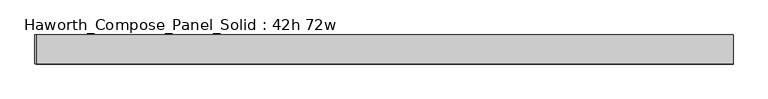
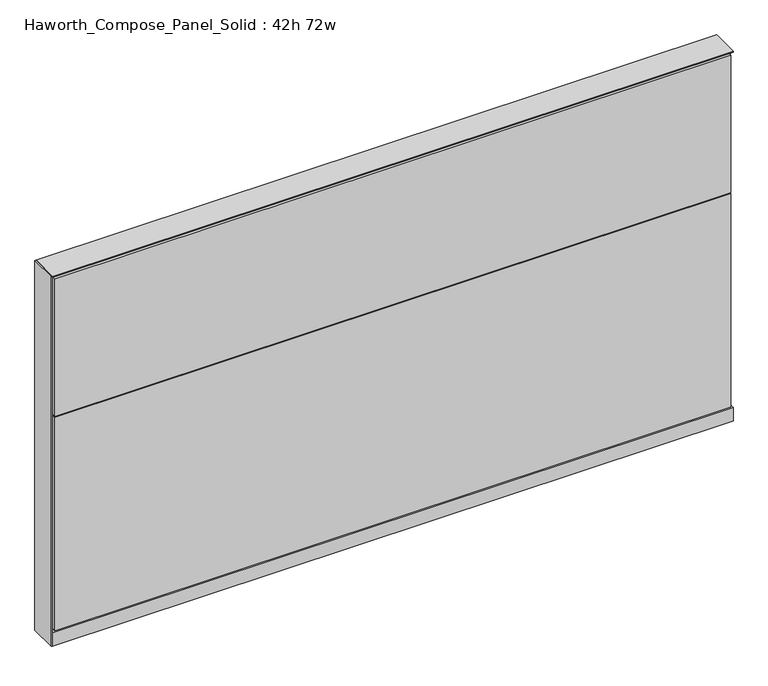
"""IFC4 building model written with IfcOpenShell, lengths in millimetres: furniture geometry, Haworth_Compose_Panel_Solid : 42h 72w."""

from ifc_helpers import new_model, si_unit, point, frame, frame_2d, origin, origin_with_axes, place, context, project, spatial, polyline, circle_curve, trimmed, segment, composite_curve, outline, extrude, source, transform, mapped, element, save


def haworth_compose_panel_solid_42h_72w_37ffdf7a(model_context):
    return source(origin(), model_context, "Body", "SweptSolid", [
        extrude(outline(composite_curve([segment(trimmed(circle_curve(frame_2d((-835.7597098, 0.0)), 12.7), [point((-848.4597098, 0.0))], [point((-823.0597098, 0.0))], False, "CARTESIAN"), True, "CONTINUOUS"), segment(trimmed(circle_curve(frame_2d((-835.7597098, 0.0)), 12.7), [point((-823.0597098, 0.0))], [point((-848.4597098, 0.0))], False, "CARTESIAN"), True, "CONTINUOUS")], self_intersect=False)), origin_with_axes(), (0.0, 0.0, 1.0), 12.7),
        extrude(outline(composite_curve([segment(trimmed(circle_curve(frame_2d((840.6402902, 0.0)), 12.7), [point((827.9402902, 0.0))], [point((853.3402902, 0.0))], False, "CARTESIAN"), True, "CONTINUOUS"), segment(trimmed(circle_curve(frame_2d((840.6402902, 0.0)), 12.7), [point((853.3402902, 0.0))], [point((827.9402902, 0.0))], False, "CARTESIAN"), True, "CONTINUOUS")], self_intersect=False)), origin_with_axes(), (0.0, 0.0, 1.0), 12.7),
        extrude(outline(polyline([(-915.1347098, 38.1), (-911.9597098, 38.1), (-911.9597098, -38.1), (-915.1347098, -38.1), (-915.1347098, 38.1)])), frame((0.0, 0.0, 12.7), z_axis=(0.0, 0.0, 1.0), x_axis=(1.0, 0.0, 0.0)), (0.0, 0.0, 1.0), 1050.925),
        extrude(outline(polyline([(910.4902902, 38.1), (910.4902902, 25.4), (-905.6097098, 25.4), (-905.6097098, 38.1), (910.4902902, 38.1)])), frame((0.0, 0.0, 53.975), z_axis=(0.0, 0.0, 1.0), x_axis=(1.0, 0.0, 0.0)), (0.0, 0.0, 1.0), 1000.125),
        extrude(outline(polyline([(910.4902902, -38.1), (-905.6097098, -38.1), (-905.6097098, -25.4), (910.4902902, -25.4), (910.4902902, -38.1)])), frame((0.0, 0.0, 663.575), z_axis=(0.0, 0.0, 1.0), x_axis=(1.0, 0.0, 0.0)), (0.0, 0.0, 1.0), 390.525),
        extrude(outline(polyline([(910.4902902, -38.1), (-905.6097098, -38.1), (-905.6097098, -25.4), (910.4902902, -25.4), (910.4902902, -38.1)])), frame((0.0, 0.0, 53.975), z_axis=(0.0, 0.0, 1.0), x_axis=(1.0, 0.0, 0.0)), (0.0, 0.0, 1.0), 606.425),
        extrude(outline(polyline([(916.8402902, 25.4), (916.8402902, -25.4), (-911.9597098, -25.4), (-911.9597098, 25.4), (916.8402902, 25.4)])), frame((0.0, 0.0, 12.7), z_axis=(0.0, 0.0, 1.0), x_axis=(1.0, 0.0, 0.0)), (0.0, 0.0, 1.0), 1047.75),
        extrude(outline(polyline([(-911.9597098, -38.1), (-911.9597098, 38.1), (916.8402902, 38.1), (916.8402902, -38.1), (-911.9597098, -38.1)])), frame((0.0, 0.0, 12.7), z_axis=(0.0, 0.0, 1.0), x_axis=(1.0, 0.0, 0.0)), (0.0, 0.0, 1.0), 38.1),
        extrude(outline(polyline([(-911.9597098, -38.1), (-911.9597098, 38.1), (916.8402902, 38.1), (916.8402902, -38.1), (-911.9597098, -38.1)])), frame((0.0, 0.0, 1060.45), z_axis=(0.0, 0.0, 1.0), x_axis=(1.0, 0.0, 0.0)), (0.0, 0.0, 1.0), 3.175),
    ])


if __name__ == "__main__":
    model = new_model("IFC4")
    model_context = context("Model", 3, world=origin())
    ifc_project = project(units=[si_unit("LENGTHUNIT", "METRE", prefix="MILLI")], contexts=[model_context])
    site = spatial("IfcSite", under=ifc_project)
    building = spatial("IfcBuilding", under=site)
    placement = place(None, origin())
    haworth_compose_panel_solid_42h_72w_shape = haworth_compose_panel_solid_42h_72w_37ffdf7a(model_context)
    element("IfcFurniture", 1, ObjectType="Haworth_Compose_Panel_Solid : 42h 72w", at=placement, inside=building, context=model_context, shape_type="MappedRepresentation", body=[
        mapped(haworth_compose_panel_solid_42h_72w_shape, transform((0.0, 0.0, 0.0), x_axis=(1.0, 0.0, 0.0), y_axis=(0.0, 1.0, 0.0), z_axis=(0.0, 0.0, 1.0))),
    ])
    save(model, "model.ifc")
